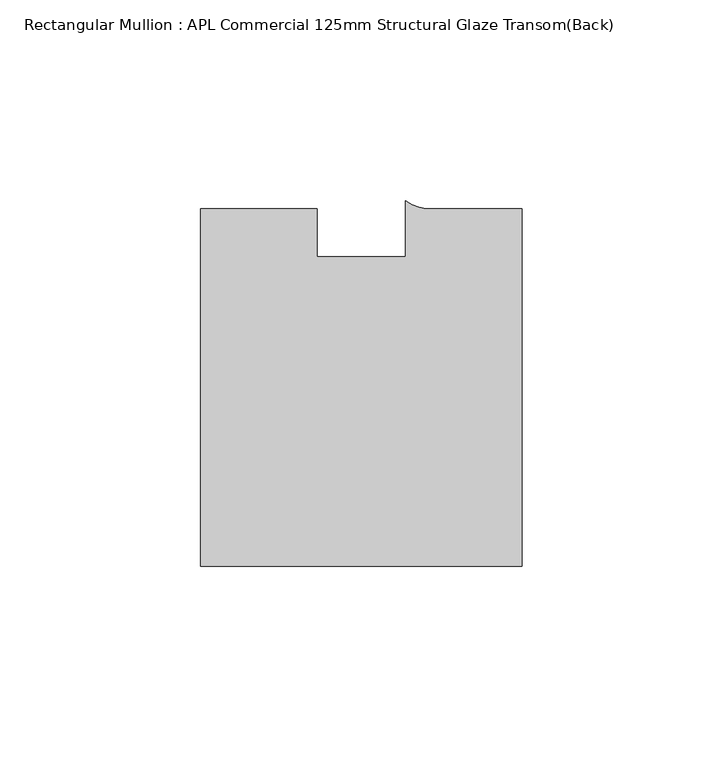
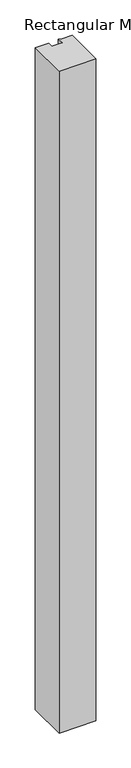
"""IFC4 building model written with IfcOpenShell, lengths in millimetres: member geometry, Rectangular Mullion : APL Commercial 125mm Structural Glaze Transom(Back)."""

from ifc_helpers import new_model, si_unit, point, frame, frame_2d, origin, place, context, project, spatial, polyline, circle_curve, trimmed, segment, composite_curve, outline, extrude, source, transform, mapped, element, save


def rectangular_mullion_apl_commercial_125mm_structural_glaze_a885712b(model_context):
    return source(origin(), model_context, "Body", "SweptSolid", [
        extrude(outline(composite_curve([segment(polyline([(40.0, -104.0), (-40.0, -104.0), (-40.0, -15.0000829), (-11.0000151, -15.0000829), (-11.0000151, -27.0), (11.0000151, -27.0), (11.0000151, -13.0673455)]), True, "CONTINUOUS"), segment(trimmed(circle_curve(frame_2d((17.1097719, -4.581653)), 10.4563907), [point((11.0000151, -13.0673455))], [point((17.9999542, -15.0000829))], True, "CARTESIAN"), True, "CONTINUOUS"), segment(polyline([(17.9999542, -15.0000829), (40.0, -15.0000829), (40.0, -104.0)]), True, "CONTINUOUS")], self_intersect=False)), frame((0.0, 0.0, -1524.000019), z_axis=(0.0, 0.0, 1.0), x_axis=(1.0, 0.0, 0.0)), (0.0, 0.0, 1.0), 1524.000019),
    ])


if __name__ == "__main__":
    model = new_model("IFC4")
    model_context = context("Model", 3, world=origin())
    ifc_project = project(units=[si_unit("LENGTHUNIT", "METRE", prefix="MILLI")], contexts=[model_context])
    site = spatial("IfcSite", under=ifc_project)
    building = spatial("IfcBuilding", under=site)
    placement = place(None, origin())
    rectangular_mullion_apl_commercial_125mm_structural_glaze_shape = rectangular_mullion_apl_commercial_125mm_structural_glaze_a885712b(model_context)
    element("IfcMember", 1, ObjectType="Rectangular Mullion : APL Commercial 125mm Structural Glaze Transom(Back)", at=placement, inside=building, context=model_context, shape_type="MappedRepresentation", body=[
        mapped(rectangular_mullion_apl_commercial_125mm_structural_glaze_shape, transform((0.0, 0.0, 0.0), x_axis=(1.0, 0.0, 0.0), y_axis=(0.0, 1.0, 0.0), z_axis=(0.0, 0.0, 1.0))),
    ])
    save(model, "model.ifc")
